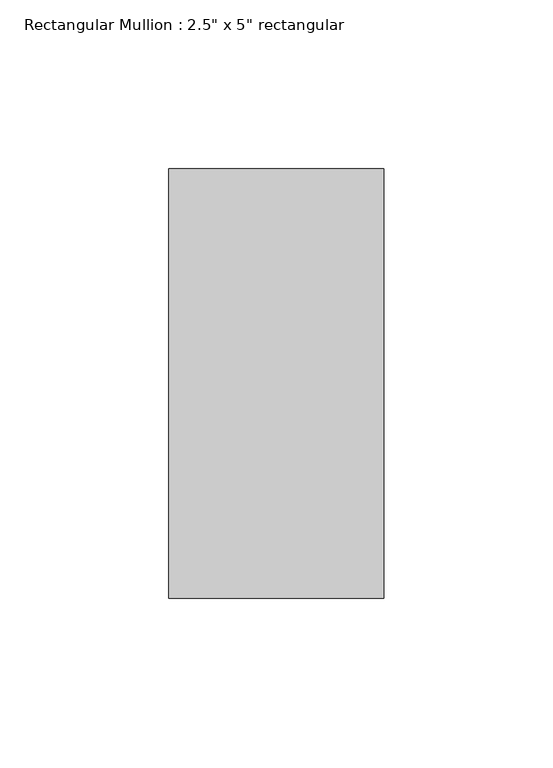
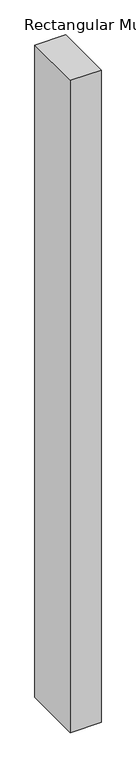
"""IFC4 building model written with IfcOpenShell, lengths in millimetres: member geometry."""

from ifc_helpers import new_model, si_unit, frame, origin, place, context, project, spatial, polyline, outline, extrude, source, transform, mapped, element, save


def member_3e00a44d(model_context):
    return source(origin(), model_context, "Body", "SweptSolid", [
        extrude(outline(polyline([(31.75, 63.5), (31.75, -63.5), (-31.75, -63.5), (-31.75, 63.5), (31.75, 63.5)])), frame((0.0, 0.0, -1428.7500002), z_axis=(0.0, 0.0, 1.0), x_axis=(1.0, 0.0, 0.0)), (0.0, 0.0, 1.0), 1428.7500002),
    ])


if __name__ == "__main__":
    model = new_model("IFC4")
    model_context = context("Model", 3, world=origin())
    ifc_project = project(units=[si_unit("LENGTHUNIT", "METRE", prefix="MILLI")], contexts=[model_context])
    site = spatial("IfcSite", under=ifc_project)
    building = spatial("IfcBuilding", under=site)
    placement = place(None, origin())
    member_shape = member_3e00a44d(model_context)
    element("IfcMember", 1, ObjectType="Rectangular Mullion : 2.5\" x 5\" rectangular", at=placement, inside=building, context=model_context, shape_type="MappedRepresentation", body=[
        mapped(member_shape, transform((0.0, 0.0, 0.0), x_axis=(1.0, 0.0, 0.0), y_axis=(0.0, 1.0, 0.0), z_axis=(0.0, 0.0, 1.0))),
    ])
    save(model, "model.ifc")
